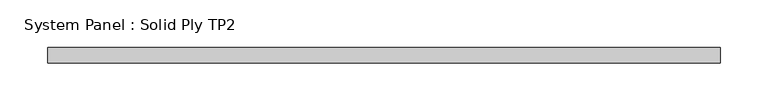
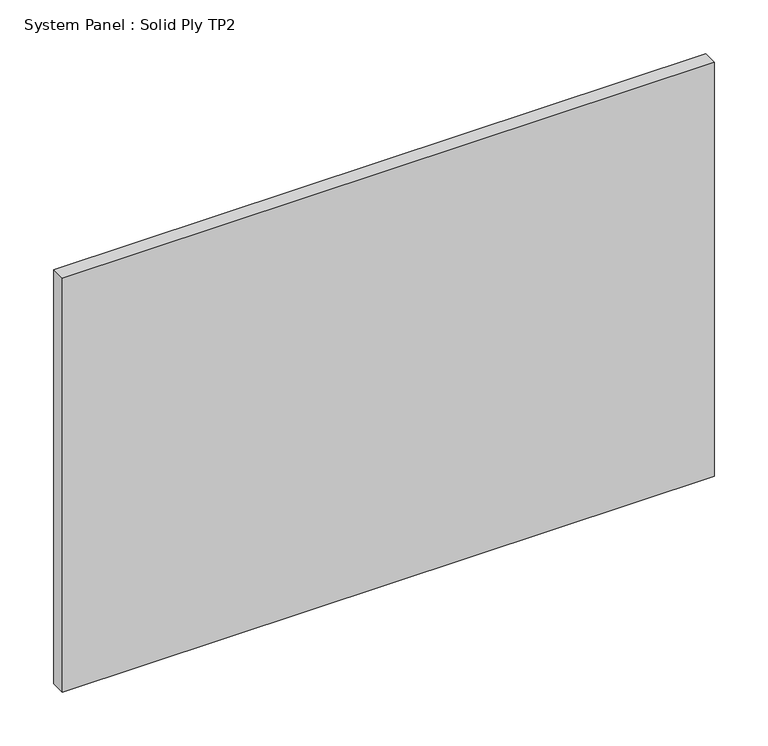
"""IFC4 building model written with IfcOpenShell, lengths in millimetres: plate geometry, System Panel : Solid Ply TP2."""

import ifcopenshell
import ifcopenshell.guid

model = None  # the IFC model being written
_history = None  # IfcOwnerHistory: only IFC2X3 demands one
_inside = {}  # id of a spatial element -> (the spatial element, [elements in it])
_under = {}  # id of a project, library or spatial element -> (it, [spatial elements below it])
_declared = {}  # id of a project -> (the project, [libraries it declares])
_typed = {}  # id of a type object -> (the type object, [elements of that type])
_made_of = {}  # id of a material, layer set ... -> (it, [elements and type objects made of it])


def new_model(schema):
    """Start an empty IFC model of exactly this schema.

    Asked for "IFC4X3", IfcOpenShell would pick the latest addendum, in which some entities
    have other attributes; the version numbers below select the first issue.
    IFC2X3 requires an IfcOwnerHistory on every rooted entity: one is made here for all.
    """
    global model, _history
    if schema == "IFC4X3":
        model = ifcopenshell.file(schema_version=(4, 3, 0, 0))
    else:
        model = ifcopenshell.file(schema=schema)
    _inside.clear()
    _under.clear()
    _declared.clear()
    _typed.clear()
    _made_of.clear()
    _history = None
    if model.schema == "IFC2X3":
        org = make("IfcOrganization", Name="unknown")
        user = make(
            "IfcPersonAndOrganization",
            ThePerson=make("IfcPerson", FamilyName="unknown"),
            TheOrganization=org,
        )
        app = make(
            "IfcApplication",
            ApplicationDeveloper=org,
            Version="unknown",
            ApplicationFullName="unknown",
            ApplicationIdentifier="unknown",
        )
        _history = make(
            "IfcOwnerHistory",
            OwningUser=user,
            OwningApplication=app,
            ChangeAction="ADDED",
            CreationDate=0,
        )
    return model


def make(cls, **values):
    """One entity of the class cls with the attributes given. An attribute that is None is left unset."""
    return model.create_entity(
        cls, **{name: value for name, value in values.items() if value is not None}
    )


def rooted(cls, **values):
    """An entity with a GlobalId (a new one), such as an element, a storey or a relation."""
    return make(cls, GlobalId=ifcopenshell.guid.new(), OwnerHistory=_history, **values)


def si_unit(unit_type, name, prefix=None):
    """IfcSIUnit, for example si_unit("LENGTHUNIT", "METRE", prefix="MILLI")."""
    return make("IfcSIUnit", UnitType=unit_type, Prefix=prefix, Name=name)


def assignment(units):
    """IfcUnitAssignment: the units of a project."""
    return None if units is None else make("IfcUnitAssignment", Units=units)


def point(xyz):
    """IfcCartesianPoint."""
    return None if xyz is None else make("IfcCartesianPoint", Coordinates=xyz)


def direction(xyz):
    """IfcDirection."""
    return None if xyz is None else make("IfcDirection", DirectionRatios=xyz)


def frame(location, z_axis=None, x_axis=None):
    """IfcAxis2Placement3D, a coordinate frame: its origin and axes. An axis left out is left unset."""
    return make(
        "IfcAxis2Placement3D",
        Location=point(location),
        Axis=direction(z_axis),
        RefDirection=direction(x_axis),
    )


def origin():
    """The frame at (0, 0, 0) with its axes left unset."""
    return frame((0.0, 0.0, 0.0))


def origin_with_axes():
    """The frame at (0, 0, 0) with the z axis (0, 0, 1) and the x axis (1, 0, 0) written out."""
    return frame((0.0, 0.0, 0.0), z_axis=(0.0, 0.0, 1.0), x_axis=(1.0, 0.0, 0.0))


def place(relative_to, where):
    """IfcLocalPlacement: puts the frame where relative to a parent placement (None: the world)."""
    return make(
        "IfcLocalPlacement", PlacementRelTo=relative_to, RelativePlacement=where
    )


def context(
    kind, dimensions, precision=None, world=None, true_north=None, identifier=None
):
    """IfcGeometricRepresentationContext, for example the 3D "Model" context."""
    return make(
        "IfcGeometricRepresentationContext",
        ContextIdentifier=identifier,
        ContextType=kind,
        CoordinateSpaceDimension=dimensions,
        Precision=precision,
        WorldCoordinateSystem=world,
        TrueNorth=true_north,
    )


def project(units=None, contexts=None):
    """IfcProject with its units and contexts."""
    return rooted(
        "IfcProject",
        Name="project",
        RepresentationContexts=contexts,
        UnitsInContext=assignment(units),
    )


def spatial(cls, under=None, at=None, **own):
    """A site, building, storey or space (cls), placed at a placement, below another one or the project."""
    s = rooted(cls, ObjectPlacement=at, **own)
    if under is not None:
        _under.setdefault(under.id(), (under, []))[1].append(s)
    return s


def polyline(points):
    """IfcPolyline through the points."""
    return make("IfcPolyline", Points=[point(p) for p in points])


def outline(outer, holes=None, kind="AREA"):
    """IfcArbitraryClosedProfileDef: a profile drawn as a closed curve; with holes, ...WithVoids."""
    if holes is None:
        return make("IfcArbitraryClosedProfileDef", ProfileType=kind, OuterCurve=outer)
    return make(
        "IfcArbitraryProfileDefWithVoids",
        ProfileType=kind,
        OuterCurve=outer,
        InnerCurves=holes,
    )


def extrude(swept, where, along, depth):
    """IfcExtrudedAreaSolid: the profile swept, set in the frame where, extruded along a direction by depth."""
    return make(
        "IfcExtrudedAreaSolid",
        SweptArea=swept,
        Position=where,
        ExtrudedDirection=direction(along),
        Depth=depth,
    )


def shape(context_of_items, identifier, shape_type, items):
    """IfcShapeRepresentation: the items that make up one representation, for example the "Body"."""
    return make(
        "IfcShapeRepresentation",
        ContextOfItems=context_of_items,
        RepresentationIdentifier=identifier,
        RepresentationType=shape_type,
        Items=items,
    )


def source(mapping_origin, context_of_items, identifier, shape_type, items):
    """IfcRepresentationMap: a shape defined once, which mapped items show again and again."""
    return make(
        "IfcRepresentationMap",
        MappingOrigin=mapping_origin,
        MappedRepresentation=shape(context_of_items, identifier, shape_type, items),
    )


def transform(
    local_origin,
    x_axis=None,
    y_axis=None,
    z_axis=None,
    scale=None,
    scale2=None,
    scale3=None,
    uniform=True,
):
    """IfcCartesianTransformationOperator3D, or its non-uniform kind. x_axis, y_axis, z_axis: its Axis1, 2, 3."""
    if uniform:
        return make(
            "IfcCartesianTransformationOperator3D",
            Axis1=direction(x_axis),
            Axis2=direction(y_axis),
            LocalOrigin=point(local_origin),
            Scale=scale,
            Axis3=direction(z_axis),
        )
    return make(
        "IfcCartesianTransformationOperator3DnonUniform",
        Axis1=direction(x_axis),
        Axis2=direction(y_axis),
        LocalOrigin=point(local_origin),
        Scale=scale,
        Axis3=direction(z_axis),
        Scale2=scale2,
        Scale3=scale3,
    )


def mapped(mapping_source, mapping_target):
    """IfcMappedItem: shows the shape of a source again, moved by a transform."""
    return make(
        "IfcMappedItem", MappingSource=mapping_source, MappingTarget=mapping_target
    )


def made_of(thing, what):
    """Note that an element or type object is made of a material, layer set ...; save() writes the relation."""
    if what is not None:
        _made_of.setdefault(what.id(), (what, []))[1].append(thing)
    return thing


def element(
    cls,
    number,
    at=None,
    inside=None,
    cuts=None,
    type_object=None,
    material=None,
    context=None,
    identifier="Body",
    shape_type=None,
    held_by="IfcProductDefinitionShape",
    body=None,
    shapes=None,
    **own,
):
    """One element of the class cls, such as IfcWall. Its Tag is "e" and its number.

    at: its placement. inside: the storey or other place that contains it. cuts: it is an
    opening in that element (IfcRelVoidsElement). A single representation is given by context,
    identifier, shape_type and body (its items); several are given by shapes. held_by: the class
    of the entity that holds the representations. save() writes the other relations.
    """
    e = rooted(cls, Tag="e%d" % number, ObjectPlacement=at, **own)
    if body is not None:
        shapes = [shape(context, identifier, shape_type, body)]
    if shapes is not None:
        e.Representation = make(held_by, Representations=shapes)
    if inside is not None:
        _inside.setdefault(inside.id(), (inside, []))[1].append(e)
    if cuts is not None:
        rooted(
            "IfcRelVoidsElement", RelatingBuildingElement=cuts, RelatedOpeningElement=e
        )
    if type_object is not None:
        _typed.setdefault(type_object.id(), (type_object, []))[1].append(e)
    return made_of(e, material)


def aggregate(whole, parts):
    """IfcRelAggregates: a whole, such as a stair, and the parts it consists of."""
    return rooted("IfcRelAggregates", RelatingObject=whole, RelatedObjects=parts)


def save(model, path):
    """Write the relations noted so far, then the file.

    IfcRelAggregates (storeys below a building ...), IfcRelContainedInSpatialStructure (elements
    in a storey), IfcRelDefinesByType, IfcRelAssociatesMaterial and IfcRelDeclares: one each for
    every whole, place, type object, material and project.
    """
    for whole, parts in _under.values():
        aggregate(whole, parts)
    for where, things in _inside.values():
        rooted(
            "IfcRelContainedInSpatialStructure",
            RelatedElements=things,
            RelatingStructure=where,
        )
    for kind, things in _typed.values():
        rooted("IfcRelDefinesByType", RelatedObjects=things, RelatingType=kind)
    for what, things in _made_of.values():
        rooted("IfcRelAssociatesMaterial", RelatedObjects=things, RelatingMaterial=what)
    for by, libraries in _declared.values():
        rooted("IfcRelDeclares", RelatingContext=by, RelatedDefinitions=libraries)
    model.write(path)


def system_panel_solid_ply_tp2_ced81efe(model_context):
    return source(origin(), model_context, "Body", "SweptSolid", [
        extrude(outline(polyline([(350.0000002, -23.0), (-350.0000002, -23.0), (-350.0000002, -7.0), (350.0000002, -7.0), (350.0000002, -23.0)])), origin_with_axes(), (0.0, 0.0, 1.0), 470.0),
    ])


if __name__ == "__main__":
    model = new_model("IFC4")
    model_context = context("Model", 3, world=origin())
    ifc_project = project(units=[si_unit("LENGTHUNIT", "METRE", prefix="MILLI")], contexts=[model_context])
    site = spatial("IfcSite", under=ifc_project)
    building = spatial("IfcBuilding", under=site)
    placement = place(None, origin())
    system_panel_solid_ply_tp2_shape = system_panel_solid_ply_tp2_ced81efe(model_context)
    element("IfcPlate", 1, ObjectType="System Panel : Solid Ply TP2", at=placement, inside=building, context=model_context, shape_type="MappedRepresentation", body=[
        mapped(system_panel_solid_ply_tp2_shape, transform((0.0, 0.0, 0.0), x_axis=(1.0, 0.0, 0.0), y_axis=(0.0, 1.0, 0.0), z_axis=(0.0, 0.0, 1.0))),
    ])
    save(model, "model.ifc")
